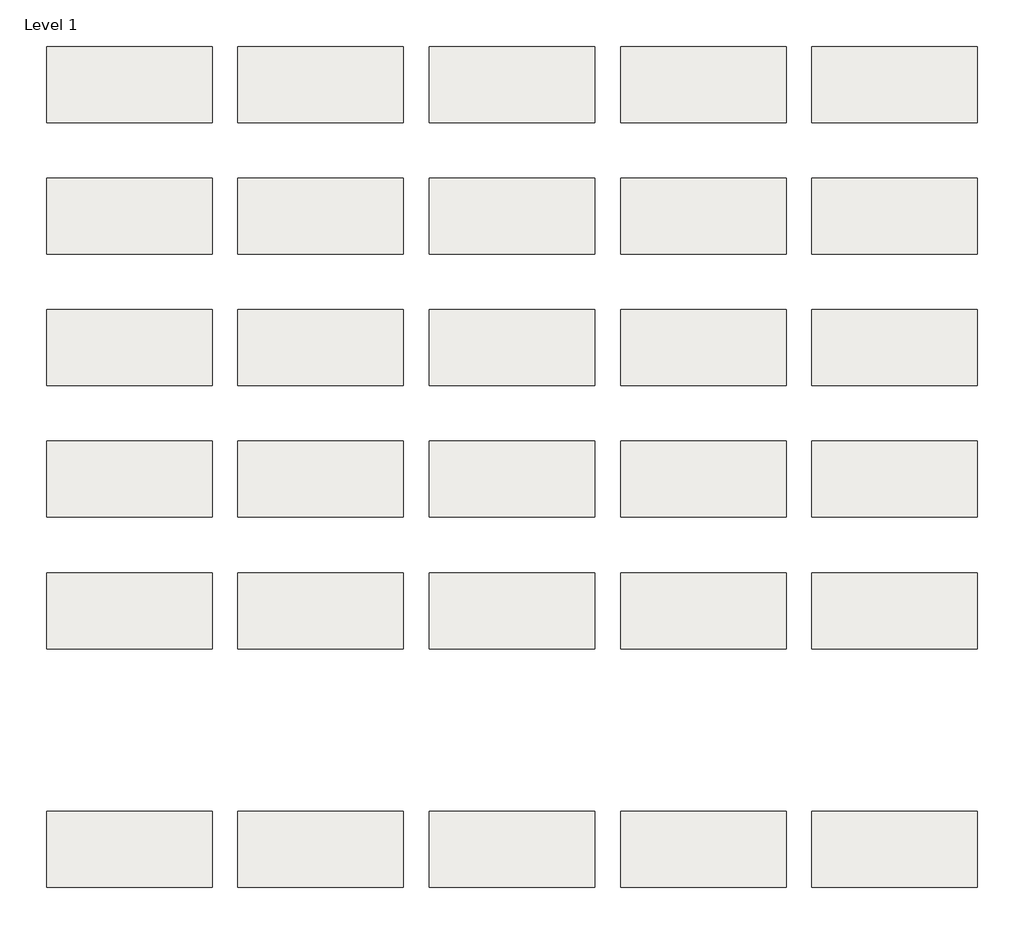
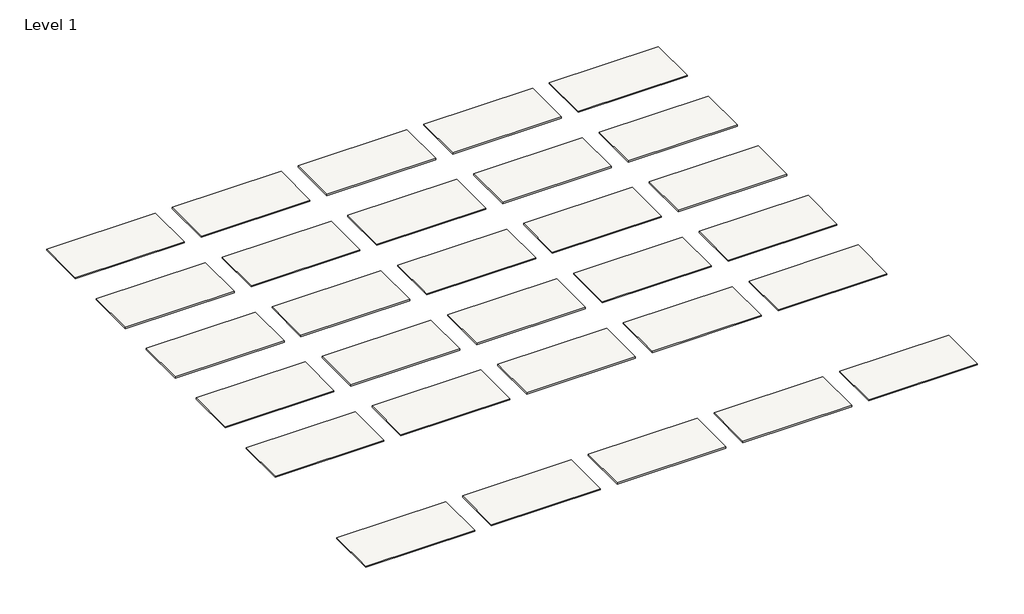
# One storey: 30 roofs.
"""IFC4 building model written with IfcOpenShell, lengths in millimetres."""

from ifc_helpers import new_model, si_unit, origin, origin_with_axes, place, context, project, spatial, polyline, outline, extrude, element, save

model = new_model("IFC4")

# Units and contexts
model_context = context("Model", 3, world=origin())
ifc_project = project(units=[si_unit("LENGTHUNIT", "METRE", prefix="MILLI")], contexts=[model_context])

# Site, building, storey
site = spatial("IfcSite", under=ifc_project)
building = spatial("IfcBuilding", under=site)
storey = spatial("IfcBuildingStorey", under=building, Name="Level 1", Elevation=0.0)

# Roofs
placement = place(None, origin())
element("IfcRoof", 1, at=placement, inside=storey, context=model_context, shape_type="SweptSolid", body=[
    extrude(outline(polyline([(-9725.8471173, -1370.5264682), (-6627.0471173, -1370.5264682), (-6627.0471173, -2792.9264682), (-9725.8471173, -2792.9264682), (-9725.8471173, -1370.5264682)])), origin_with_axes(), (0.0, 0.0, 1.0), 36.5125),
])
element("IfcRoof", 2, at=placement, inside=storey, context=model_context, shape_type="SweptSolid", body=[
    extrude(outline(polyline([(-6144.4471173, -1370.5264682), (-3045.6471173, -1370.5264682), (-3045.6471173, -2792.9264682), (-6144.4471173, -2792.9264682), (-6144.4471173, -1370.5264682)])), origin_with_axes(), (0.0, 0.0, 1.0), 36.5125),
])
element("IfcRoof", 3, at=placement, inside=storey, context=model_context, shape_type="SweptSolid", body=[
    extrude(outline(polyline([(-2563.0471173, -1370.5264682), (535.7528827, -1370.5264682), (535.7528827, -2792.9264682), (-2563.0471173, -2792.9264682), (-2563.0471173, -1370.5264682)])), origin_with_axes(), (0.0, 0.0, 1.0), 36.5125),
])
element("IfcRoof", 4, at=placement, inside=storey, context=model_context, shape_type="SweptSolid", body=[
    extrude(outline(polyline([(1018.3528827, -1370.5264682), (4117.1528827, -1370.5264682), (4117.1528827, -2792.9264682), (1018.3528827, -2792.9264682), (1018.3528827, -1370.5264682)])), origin_with_axes(), (0.0, 0.0, 1.0), 36.5125),
])
element("IfcRoof", 5, at=placement, inside=storey, context=model_context, shape_type="SweptSolid", body=[
    extrude(outline(polyline([(4599.7528827, -1370.5264682), (7698.5528827, -1370.5264682), (7698.5528827, -2792.9264682), (4599.7528827, -2792.9264682), (4599.7528827, -1370.5264682)])), origin_with_axes(), (0.0, 0.0, 1.0), 36.5125),
])
element("IfcRoof", 6, at=placement, inside=storey, context=model_context, shape_type="SweptSolid", body=[
    extrude(outline(polyline([(-9725.8471173, 1093.2735318), (-6627.0471173, 1093.2735318), (-6627.0471173, -329.1264682), (-9725.8471173, -329.1264682), (-9725.8471173, 1093.2735318)])), origin_with_axes(), (0.0, 0.0, 1.0), 36.5125),
])
element("IfcRoof", 7, at=placement, inside=storey, context=model_context, shape_type="SweptSolid", body=[
    extrude(outline(polyline([(-6144.4471173, 1093.2735318), (-3045.6471173, 1093.2735318), (-3045.6471173, -329.1264682), (-6144.4471173, -329.1264682), (-6144.4471173, 1093.2735318)])), origin_with_axes(), (0.0, 0.0, 1.0), 36.5125),
])
element("IfcRoof", 8, at=placement, inside=storey, context=model_context, shape_type="SweptSolid", body=[
    extrude(outline(polyline([(-2563.0471173, 1093.2735318), (535.7528827, 1093.2735318), (535.7528827, -329.1264682), (-2563.0471173, -329.1264682), (-2563.0471173, 1093.2735318)])), origin_with_axes(), (0.0, 0.0, 1.0), 36.5125),
])
element("IfcRoof", 9, at=placement, inside=storey, context=model_context, shape_type="SweptSolid", body=[
    extrude(outline(polyline([(1018.3528827, 1093.2735318), (4117.1528827, 1093.2735318), (4117.1528827, -329.1264682), (1018.3528827, -329.1264682), (1018.3528827, 1093.2735318)])), origin_with_axes(), (0.0, 0.0, 1.0), 36.5125),
])
element("IfcRoof", 10, at=placement, inside=storey, context=model_context, shape_type="SweptSolid", body=[
    extrude(outline(polyline([(4599.7528827, 1093.2735318), (7698.5528827, 1093.2735318), (7698.5528827, -329.1264682), (4599.7528827, -329.1264682), (4599.7528827, 1093.2735318)])), origin_with_axes(), (0.0, 0.0, 1.0), 36.5125),
])
element("IfcRoof", 11, at=placement, inside=storey, context=model_context, shape_type="SweptSolid", body=[
    extrude(outline(polyline([(-9725.8471173, 3557.0735318), (-6627.0471173, 3557.0735318), (-6627.0471173, 2134.6735318), (-9725.8471173, 2134.6735318), (-9725.8471173, 3557.0735318)])), origin_with_axes(), (0.0, 0.0, 1.0), 36.5125),
])
element("IfcRoof", 12, at=placement, inside=storey, context=model_context, shape_type="SweptSolid", body=[
    extrude(outline(polyline([(-6144.4471173, 3557.0735318), (-3045.6471173, 3557.0735318), (-3045.6471173, 2134.6735318), (-6144.4471173, 2134.6735318), (-6144.4471173, 3557.0735318)])), origin_with_axes(), (0.0, 0.0, 1.0), 36.5125),
])
element("IfcRoof", 13, at=placement, inside=storey, context=model_context, shape_type="SweptSolid", body=[
    extrude(outline(polyline([(-2563.0471173, 3557.0735318), (535.7528827, 3557.0735318), (535.7528827, 2134.6735318), (-2563.0471173, 2134.6735318), (-2563.0471173, 3557.0735318)])), origin_with_axes(), (0.0, 0.0, 1.0), 36.5125),
])
element("IfcRoof", 14, at=placement, inside=storey, context=model_context, shape_type="SweptSolid", body=[
    extrude(outline(polyline([(1018.3528827, 3557.0735318), (4117.1528827, 3557.0735318), (4117.1528827, 2134.6735318), (1018.3528827, 2134.6735318), (1018.3528827, 3557.0735318)])), origin_with_axes(), (0.0, 0.0, 1.0), 36.5125),
])
element("IfcRoof", 15, at=placement, inside=storey, context=model_context, shape_type="SweptSolid", body=[
    extrude(outline(polyline([(4599.7528827, 3557.0735318), (7698.5528827, 3557.0735318), (7698.5528827, 2134.6735318), (4599.7528827, 2134.6735318), (4599.7528827, 3557.0735318)])), origin_with_axes(), (0.0, 0.0, 1.0), 36.5125),
])
element("IfcRoof", 16, at=placement, inside=storey, context=model_context, shape_type="SweptSolid", body=[
    extrude(outline(polyline([(-9725.8471173, 6020.8735318), (-6627.0471173, 6020.8735318), (-6627.0471173, 4598.4735318), (-9725.8471173, 4598.4735318), (-9725.8471173, 6020.8735318)])), origin_with_axes(), (0.0, 0.0, 1.0), 36.5125),
])
element("IfcRoof", 17, at=placement, inside=storey, context=model_context, shape_type="SweptSolid", body=[
    extrude(outline(polyline([(-6144.4471173, 6020.8735318), (-3045.6471173, 6020.8735318), (-3045.6471173, 4598.4735318), (-6144.4471173, 4598.4735318), (-6144.4471173, 6020.8735318)])), origin_with_axes(), (0.0, 0.0, 1.0), 36.5125),
])
element("IfcRoof", 18, at=placement, inside=storey, context=model_context, shape_type="SweptSolid", body=[
    extrude(outline(polyline([(-2563.0471173, 6020.8735318), (535.7528827, 6020.8735318), (535.7528827, 4598.4735318), (-2563.0471173, 4598.4735318), (-2563.0471173, 6020.8735318)])), origin_with_axes(), (0.0, 0.0, 1.0), 36.5125),
])
element("IfcRoof", 19, at=placement, inside=storey, context=model_context, shape_type="SweptSolid", body=[
    extrude(outline(polyline([(1018.3528827, 6020.8735318), (4117.1528827, 6020.8735318), (4117.1528827, 4598.4735318), (1018.3528827, 4598.4735318), (1018.3528827, 6020.8735318)])), origin_with_axes(), (0.0, 0.0, 1.0), 36.5125),
])
element("IfcRoof", 20, at=placement, inside=storey, context=model_context, shape_type="SweptSolid", body=[
    extrude(outline(polyline([(4599.7528827, 6020.8735318), (7698.5528827, 6020.8735318), (7698.5528827, 4598.4735318), (4599.7528827, 4598.4735318), (4599.7528827, 6020.8735318)])), origin_with_axes(), (0.0, 0.0, 1.0), 36.5125),
])
element("IfcRoof", 21, at=placement, inside=storey, context=model_context, shape_type="SweptSolid", body=[
    extrude(outline(polyline([(-9725.8471173, 8484.6735318), (-6627.0471173, 8484.6735318), (-6627.0471173, 7062.2735318), (-9725.8471173, 7062.2735318), (-9725.8471173, 8484.6735318)])), origin_with_axes(), (0.0, 0.0, 1.0), 36.5125),
])
element("IfcRoof", 22, at=placement, inside=storey, context=model_context, shape_type="SweptSolid", body=[
    extrude(outline(polyline([(-6144.4471173, 8484.6735318), (-3045.6471173, 8484.6735318), (-3045.6471173, 7062.2735318), (-6144.4471173, 7062.2735318), (-6144.4471173, 8484.6735318)])), origin_with_axes(), (0.0, 0.0, 1.0), 36.5125),
])
element("IfcRoof", 23, at=placement, inside=storey, context=model_context, shape_type="SweptSolid", body=[
    extrude(outline(polyline([(-2563.0471173, 8484.6735318), (535.7528827, 8484.6735318), (535.7528827, 7062.2735318), (-2563.0471173, 7062.2735318), (-2563.0471173, 8484.6735318)])), origin_with_axes(), (0.0, 0.0, 1.0), 36.5125),
])
element("IfcRoof", 24, at=placement, inside=storey, context=model_context, shape_type="SweptSolid", body=[
    extrude(outline(polyline([(1018.3528827, 8484.6735318), (4117.1528827, 8484.6735318), (4117.1528827, 7062.2735318), (1018.3528827, 7062.2735318), (1018.3528827, 8484.6735318)])), origin_with_axes(), (0.0, 0.0, 1.0), 36.5125),
])
element("IfcRoof", 25, at=placement, inside=storey, context=model_context, shape_type="SweptSolid", body=[
    extrude(outline(polyline([(4599.7528827, 8484.6735318), (7698.5528827, 8484.6735318), (7698.5528827, 7062.2735318), (4599.7528827, 7062.2735318), (4599.7528827, 8484.6735318)])), origin_with_axes(), (0.0, 0.0, 1.0), 36.5125),
])
element("IfcRoof", 26, at=placement, inside=storey, context=model_context, shape_type="SweptSolid", body=[
    extrude(outline(polyline([(-9725.8471173, -5840.9264682), (-6627.0471173, -5840.9264682), (-6627.0471173, -7263.3264682), (-9725.8471173, -7263.3264682), (-9725.8471173, -5840.9264682)])), origin_with_axes(), (0.0, 0.0, 1.0), 36.5125),
])
element("IfcRoof", 27, at=placement, inside=storey, context=model_context, shape_type="SweptSolid", body=[
    extrude(outline(polyline([(-6144.4471173, -5840.9264682), (-3045.6471173, -5840.9264682), (-3045.6471173, -7263.3264682), (-6144.4471173, -7263.3264682), (-6144.4471173, -5840.9264682)])), origin_with_axes(), (0.0, 0.0, 1.0), 36.5125),
])
element("IfcRoof", 28, at=placement, inside=storey, context=model_context, shape_type="SweptSolid", body=[
    extrude(outline(polyline([(-2563.0471173, -5840.9264682), (535.7528827, -5840.9264682), (535.7528827, -7263.3264682), (-2563.0471173, -7263.3264682), (-2563.0471173, -5840.9264682)])), origin_with_axes(), (0.0, 0.0, 1.0), 36.5125),
])
element("IfcRoof", 29, at=placement, inside=storey, context=model_context, shape_type="SweptSolid", body=[
    extrude(outline(polyline([(1018.3528827, -5840.9264682), (4117.1528827, -5840.9264682), (4117.1528827, -7263.3264682), (1018.3528827, -7263.3264682), (1018.3528827, -5840.9264682)])), origin_with_axes(), (0.0, 0.0, 1.0), 36.5125),
])
element("IfcRoof", 30, at=placement, inside=storey, context=model_context, shape_type="SweptSolid", body=[
    extrude(outline(polyline([(4599.7528827, -5840.9264682), (7698.5528827, -5840.9264682), (7698.5528827, -7263.3264682), (4599.7528827, -7263.3264682), (4599.7528827, -5840.9264682)])), origin_with_axes(), (0.0, 0.0, 1.0), 36.5125),
])

save(model, "model.ifc")
